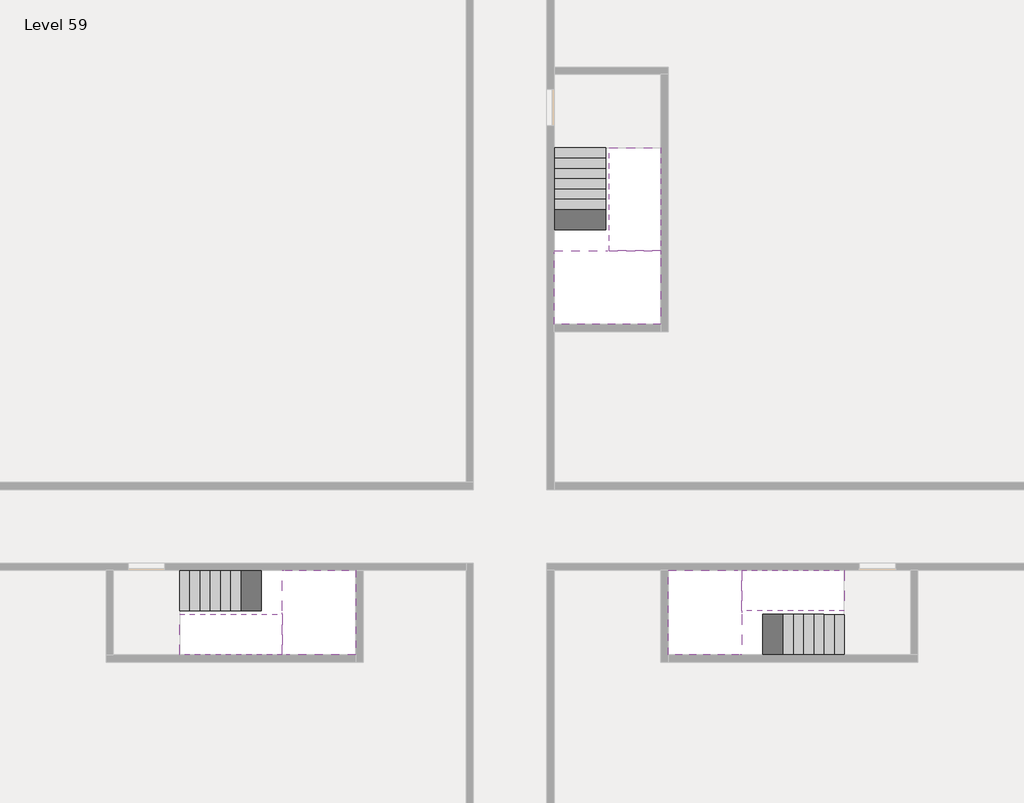
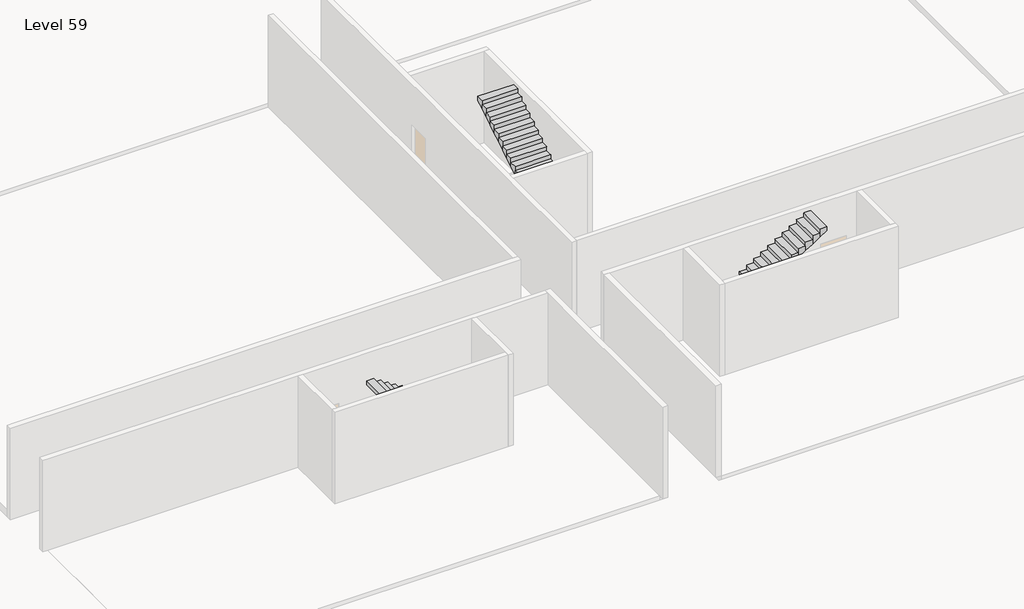
# One storey, part 2 of 2: 6 stair flights, 3 slabs.
"""IFC4 building model written with IfcOpenShell, lengths in millimetres."""

from ifc_helpers import new_model, si_unit, origin, place, context, project, spatial, faceted_brep, element, save

model = new_model("IFC4")

# Units and contexts
model_context = context("Model", 3, world=origin())
ifc_project = project(units=[si_unit("LENGTHUNIT", "METRE", prefix="MILLI")], contexts=[model_context])

# Site, building, storey
site = spatial("IfcSite", under=ifc_project)
building = spatial("IfcBuilding", under=site)
storey = spatial("IfcBuildingStorey", under=building, Name="Level 59", Elevation=220400.0)

# Slabs
placement = place(None, origin())
element("IfcSlab", 1, at=placement, inside=storey, context=model_context, shape_type="Brep", body=[
    faceted_brep([(26790.1058784, -34218.09644, 222300.0), (25390.1058784, -34218.09644, 222300.0), (25390.1058784, -34297.4828763, 222300.0), (25390.1058784, -36218.09644, 222300.0), (28290.1058784, -36218.09644, 222300.0), (28290.1058784, -34418.7100038, 222300.0), (28290.1058784, -34218.09644, 222300.0), (26890.1058784, -34218.09644, 222300.0), (26790.1058784, -34218.09644, 222000.0), (26790.1058784, -34218.09644, 221951.0278478), (25390.1058784, -34218.09644, 221951.0278478), (25390.1058784, -34218.09644, 222127.2727273), (25390.1058784, -34297.4828763, 222000.0), (25390.1058784, -36218.09644, 222000.0), (28290.1058784, -36218.09644, 222000.0), (28290.1058784, -34418.7100038, 222000.0), (28290.1058784, -34218.09644, 222123.7551205), (26890.1058784, -34218.09644, 222123.7551205), (26890.1058784, -34218.09644, 222000.0), (26890.1058784, -34418.7100038, 222000.0), (26790.1058784, -34297.4828763, 222000.0)], [[[0, 1, 2, 3, 4, 5, 6, 7]], [[1, 0, 8, 9, 10, 11]], [[1, 11, 10, 12, 13, 3, 2]], [[4, 3, 13, 14]], [[4, 14, 15, 16, 6, 5]], [[7, 6, 16, 17]], [[0, 7, 17, 18, 8]], [[18, 19, 15, 14, 13, 12, 20, 8]], [[19, 18, 17]], [[20, 12, 10, 9]], [[8, 20, 9]], [[15, 19, 17, 16]]]),
])
element("IfcSlab", 2, at=placement, inside=storey, context=model_context, shape_type="Brep", body=[
    faceted_brep([(30490.1058784, -45218.09644, 222300.0), (30490.1058784, -44118.09644, 222300.0), (30490.1058784, -44018.09644, 222300.0), (30490.1058784, -42918.09644, 222300.0), (30289.4923146, -42918.09644, 222300.0), (28490.1058784, -42918.09644, 222300.0), (28490.1058784, -45218.09644, 222300.0), (30410.7194421, -45218.09644, 222300.0), (30490.1058784, -45218.09644, 222127.2727273), (30490.1058784, -45218.09644, 221951.0278478), (30490.1058784, -44118.09644, 221951.0278478), (30490.1058784, -44118.09644, 222000.0), (30490.1058784, -44018.09644, 222000.0), (30490.1058784, -44018.09644, 222123.7551205), (30490.1058784, -42918.09644, 222123.7551205), (30289.4923146, -42918.09644, 222000.0), (28490.1058784, -42918.09644, 222000.0), (28490.1058784, -45218.09644, 222000.0), (30410.7194421, -45218.09644, 222000.0), (30289.4923146, -44018.09644, 222000.0), (30410.7194421, -44118.09644, 222000.0)], [[[0, 1, 2, 3, 4, 5, 6, 7]], [[1, 0, 8, 9, 10, 11]], [[2, 1, 11, 12, 13]], [[3, 2, 13, 14]], [[3, 14, 15, 16, 5, 4]], [[6, 5, 16, 17]], [[9, 8, 0, 7, 6, 17, 18]], [[19, 12, 11, 20, 18, 17, 16, 15]], [[12, 19, 13]], [[18, 20, 10, 9]], [[20, 11, 10]], [[19, 15, 14, 13]]]),
])
element("IfcSlab", 3, at=placement, inside=storey, context=model_context, shape_type="Brep", body=[
    faceted_brep([(17990.1058784, -42918.09644, 222300.0), (17990.1058784, -44018.09644, 222300.0), (17990.1058784, -44118.09644, 222300.0), (17990.1058784, -45218.09644, 222300.0), (18190.7194421, -45218.09644, 222300.0), (19990.1058784, -45218.09644, 222300.0), (19990.1058784, -42918.09644, 222300.0), (18069.4923146, -42918.09644, 222300.0), (17990.1058784, -42918.09644, 222127.2727273), (17990.1058784, -42918.09644, 221951.0278478), (17990.1058784, -44018.09644, 221951.0278478), (17990.1058784, -44018.09644, 222000.0), (17990.1058784, -44118.09644, 222000.0), (17990.1058784, -44118.09644, 222123.7551205), (17990.1058784, -45218.09644, 222123.7551205), (18190.7194421, -45218.09644, 222000.0), (19990.1058784, -45218.09644, 222000.0), (19990.1058784, -42918.09644, 222000.0), (18069.4923146, -42918.09644, 222000.0), (18190.7194421, -44118.09644, 222000.0), (18069.4923146, -44018.09644, 222000.0)], [[[0, 1, 2, 3, 4, 5, 6, 7]], [[1, 0, 8, 9, 10, 11]], [[2, 1, 11, 12, 13]], [[3, 2, 13, 14]], [[3, 14, 15, 16, 5, 4]], [[6, 5, 16, 17]], [[9, 8, 0, 7, 6, 17, 18]], [[19, 12, 11, 20, 18, 17, 16, 15]], [[12, 19, 13]], [[18, 20, 10, 9]], [[20, 11, 10]], [[19, 15, 14, 13]]]),
])

# Stair flights
element("IfcStairFlight", 4, at=placement, inside=storey, context=model_context, shape_type="Brep", body=[
    faceted_brep([(26790.1058784, -31698.09644, 220572.7272727), (26790.1058784, -31418.09644, 220572.7272727), (25390.1058784, -31418.09644, 220572.7272727), (25390.1058784, -31698.09644, 220572.7272727), (26790.1058784, -31698.09644, 220400.0), (26790.1058784, -31418.09644, 220400.0), (25390.1058784, -31418.09644, 220400.0), (25390.1058784, -31698.09644, 220400.0), (26790.1058784, -31978.09644, 220745.4545455), (26790.1058784, -31698.09644, 220745.4545455), (25390.1058784, -31698.09644, 220745.4545455), (25390.1058784, -31978.09644, 220745.4545455), (26790.1058784, -31978.09644, 220569.209666), (26790.1058784, -31703.7986657, 220400.0), (25390.1058784, -31703.7986657, 220400.0), (25390.1058784, -31978.09644, 220569.209666), (26790.1058784, -32258.09644, 220918.1818182), (26790.1058784, -31978.09644, 220918.1818182), (25390.1058784, -31978.09644, 220918.1818182), (25390.1058784, -32258.09644, 220918.1818182), (26790.1058784, -32258.09644, 220741.9369387), (25390.1058784, -32258.09644, 220741.9369387), (26790.1058784, -32538.09644, 221090.9090909), (26790.1058784, -32258.09644, 221090.9090909), (25390.1058784, -32258.09644, 221090.9090909), (25390.1058784, -32538.09644, 221090.9090909), (26790.1058784, -32538.09644, 220914.6642114), (25390.1058784, -32538.09644, 220914.6642114), (26790.1058784, -32818.09644, 221263.6363636), (26790.1058784, -32538.09644, 221263.6363636), (25390.1058784, -32538.09644, 221263.6363636), (25390.1058784, -32818.09644, 221263.6363636), (26790.1058784, -32818.09644, 221087.3914841), (25390.1058784, -32818.09644, 221087.3914841), (26790.1058784, -33098.09644, 221436.3636364), (26790.1058784, -32818.09644, 221436.3636364), (25390.1058784, -32818.09644, 221436.3636364), (25390.1058784, -33098.09644, 221436.3636364), (26790.1058784, -33098.09644, 221260.1187569), (25390.1058784, -33098.09644, 221260.1187569), (26790.1058784, -33378.09644, 221609.0909091), (26790.1058784, -33098.09644, 221609.0909091), (25390.1058784, -33098.09644, 221609.0909091), (25390.1058784, -33378.09644, 221609.0909091), (26790.1058784, -33378.09644, 221432.8460296), (25390.1058784, -33378.09644, 221432.8460296), (26790.1058784, -33658.09644, 221781.8181818), (26790.1058784, -33378.09644, 221781.8181818), (25390.1058784, -33378.09644, 221781.8181818), (25390.1058784, -33658.09644, 221781.8181818), (26790.1058784, -33658.09644, 221605.5733023), (25390.1058784, -33658.09644, 221605.5733023), (26790.1058784, -33938.09644, 221954.5454545), (26790.1058784, -33658.09644, 221954.5454545), (25390.1058784, -33658.09644, 221954.5454545), (25390.1058784, -33938.09644, 221954.5454545), (26790.1058784, -33938.09644, 221778.3005751), (25390.1058784, -33938.09644, 221778.3005751), (26790.1058784, -34218.09644, 222127.2727273), (26790.1058784, -33938.09644, 222127.2727273), (25390.1058784, -33938.09644, 222127.2727273), (25390.1058784, -34218.09644, 222127.2727273), (26790.1058784, -34218.09644, 222000.0), (26790.1058784, -34218.09644, 221951.0278478), (25390.1058784, -34218.09644, 221951.0278478)], [[[0, 1, 2, 3]], [[1, 0, 4, 5]], [[2, 1, 5, 6]], [[3, 2, 6, 7]], [[8, 9, 10, 11]], [[4, 0, 9, 8, 12, 13]], [[0, 3, 10, 9]], [[3, 7, 14, 15, 11, 10]], [[16, 17, 18, 19]], [[17, 16, 20, 12, 8]], [[8, 11, 18, 17]], [[19, 18, 11, 15, 21]], [[22, 23, 24, 25]], [[23, 22, 26, 20, 16]], [[16, 19, 24, 23]], [[25, 24, 19, 21, 27]], [[28, 29, 30, 31]], [[29, 28, 32, 26, 22]], [[22, 25, 30, 29]], [[31, 30, 25, 27, 33]], [[34, 35, 36, 37]], [[35, 34, 38, 32, 28]], [[28, 31, 36, 35]], [[37, 36, 31, 33, 39]], [[40, 41, 42, 43]], [[41, 40, 44, 38, 34]], [[34, 37, 42, 41]], [[43, 42, 37, 39, 45]], [[46, 47, 48, 49]], [[47, 46, 50, 44, 40]], [[40, 43, 48, 47]], [[49, 48, 43, 45, 51]], [[52, 53, 54, 55]], [[53, 52, 56, 50, 46]], [[46, 49, 54, 53]], [[55, 54, 49, 51, 57]], [[58, 59, 60, 61]], [[59, 58, 62, 63, 56, 52]], [[52, 55, 60, 59]], [[61, 60, 55, 57, 64]], [[58, 61, 64, 63, 62]], [[5, 4, 13, 14, 7, 6]], [[14, 13, 12, 20, 26, 32, 38, 44, 50, 56, 63, 64, 57, 51, 45, 39, 33, 27, 21, 15]]]),
])
element("IfcStairFlight", 5, at=placement, inside=storey, context=model_context, shape_type="Brep", body=[
    faceted_brep([(26890.1058784, -33938.09644, 222472.7272727), (26890.1058784, -34218.09644, 222472.7272727), (28290.1058784, -34218.09644, 222472.7272727), (28290.1058784, -33938.09644, 222472.7272727), (26890.1058784, -33938.09644, 222296.4823932), (26890.1058784, -34218.09644, 222123.7551205), (28290.1058784, -34218.09644, 222123.7551205), (28290.1058784, -34218.09644, 222300.0), (28290.1058784, -33938.09644, 222296.4823932), (26890.1058784, -33658.09644, 222645.4545455), (26890.1058784, -33938.09644, 222645.4545455), (28290.1058784, -33938.09644, 222645.4545455), (28290.1058784, -33658.09644, 222645.4545455), (26890.1058784, -33658.09644, 222469.209666), (28290.1058784, -33658.09644, 222469.209666), (26890.1058784, -33378.09644, 222818.1818182), (26890.1058784, -33658.09644, 222818.1818182), (28290.1058784, -33658.09644, 222818.1818182), (28290.1058784, -33378.09644, 222818.1818182), (26890.1058784, -33378.09644, 222641.9369387), (28290.1058784, -33378.09644, 222641.9369387), (26890.1058784, -33098.09644, 222990.9090909), (26890.1058784, -33378.09644, 222990.9090909), (28290.1058784, -33378.09644, 222990.9090909), (28290.1058784, -33098.09644, 222990.9090909), (26890.1058784, -33098.09644, 222814.6642114), (28290.1058784, -33098.09644, 222814.6642114), (26890.1058784, -32818.09644, 223163.6363636), (26890.1058784, -33098.09644, 223163.6363636), (28290.1058784, -33098.09644, 223163.6363636), (28290.1058784, -32818.09644, 223163.6363636), (26890.1058784, -32818.09644, 222987.3914841), (28290.1058784, -32818.09644, 222987.3914841), (26890.1058784, -32538.09644, 223336.3636364), (26890.1058784, -32818.09644, 223336.3636364), (28290.1058784, -32818.09644, 223336.3636364), (28290.1058784, -32538.09644, 223336.3636364), (26890.1058784, -32538.09644, 223160.1187569), (28290.1058784, -32538.09644, 223160.1187569), (26890.1058784, -32258.09644, 223509.0909091), (26890.1058784, -32538.09644, 223509.0909091), (28290.1058784, -32538.09644, 223509.0909091), (28290.1058784, -32258.09644, 223509.0909091), (26890.1058784, -32258.09644, 223332.8460296), (28290.1058784, -32258.09644, 223332.8460296), (26890.1058784, -31978.09644, 223681.8181818), (26890.1058784, -32258.09644, 223681.8181818), (28290.1058784, -32258.09644, 223681.8181818), (28290.1058784, -31978.09644, 223681.8181818), (26890.1058784, -31978.09644, 223505.5733023), (28290.1058784, -31978.09644, 223505.5733023), (26890.1058784, -31698.09644, 223854.5454545), (26890.1058784, -31978.09644, 223854.5454545), (28290.1058784, -31978.09644, 223854.5454545), (28290.1058784, -31698.09644, 223854.5454545), (26890.1058784, -31698.09644, 223678.3005751), (28290.1058784, -31698.09644, 223678.3005751), (26890.1058784, -31418.09644, 224027.2727273), (26890.1058784, -31698.09644, 224027.2727273), (28290.1058784, -31698.09644, 224027.2727273), (28290.1058784, -31418.09644, 224027.2727273), (26890.1058784, -31418.09644, 223851.0278478), (28290.1058784, -31418.09644, 223851.0278478)], [[[0, 1, 2, 3]], [[1, 0, 4, 5]], [[2, 1, 5, 6, 7]], [[3, 2, 7, 6, 8]], [[9, 10, 11, 12]], [[10, 9, 13, 4, 0]], [[11, 10, 0, 3]], [[12, 11, 3, 8, 14]], [[15, 16, 17, 18]], [[16, 15, 19, 13, 9]], [[17, 16, 9, 12]], [[18, 17, 12, 14, 20]], [[21, 22, 23, 24]], [[22, 21, 25, 19, 15]], [[23, 22, 15, 18]], [[24, 23, 18, 20, 26]], [[27, 28, 29, 30]], [[28, 27, 31, 25, 21]], [[29, 28, 21, 24]], [[30, 29, 24, 26, 32]], [[33, 34, 35, 36]], [[34, 33, 37, 31, 27]], [[35, 34, 27, 30]], [[36, 35, 30, 32, 38]], [[39, 40, 41, 42]], [[40, 39, 43, 37, 33]], [[41, 40, 33, 36]], [[42, 41, 36, 38, 44]], [[45, 46, 47, 48]], [[46, 45, 49, 43, 39]], [[47, 46, 39, 42]], [[48, 47, 42, 44, 50]], [[51, 52, 53, 54]], [[52, 51, 55, 49, 45]], [[53, 52, 45, 48]], [[54, 53, 48, 50, 56]], [[57, 58, 59, 60]], [[58, 57, 61, 55, 51]], [[59, 58, 51, 54]], [[60, 59, 54, 56, 62]], [[57, 60, 62, 61]], [[5, 4, 13, 19, 25, 31, 37, 43, 49, 55, 61, 62, 56, 50, 44, 38, 32, 26, 20, 14, 8, 6]]]),
])
element("IfcStairFlight", 6, at=placement, inside=storey, context=model_context, shape_type="Brep", body=[
    faceted_brep([(33010.1058784, -45218.09644, 220572.7272727), (33290.1058784, -45218.09644, 220572.7272727), (33290.1058784, -44118.09644, 220572.7272727), (33010.1058784, -44118.09644, 220572.7272727), (33010.1058784, -45218.09644, 220400.0), (33290.1058784, -45218.09644, 220400.0), (33290.1058784, -44118.09644, 220400.0), (33010.1058784, -44118.09644, 220400.0), (32730.1058784, -45218.09644, 220745.4545455), (33010.1058784, -45218.09644, 220745.4545455), (33010.1058784, -44118.09644, 220745.4545455), (32730.1058784, -44118.09644, 220745.4545455), (32730.1058784, -45218.09644, 220569.209666), (33004.4036527, -45218.09644, 220400.0), (33004.4036527, -44118.09644, 220400.0), (32730.1058784, -44118.09644, 220569.209666), (32450.1058784, -45218.09644, 220918.1818182), (32730.1058784, -45218.09644, 220918.1818182), (32730.1058784, -44118.09644, 220918.1818182), (32450.1058784, -44118.09644, 220918.1818182), (32450.1058784, -45218.09644, 220741.9369387), (32450.1058784, -44118.09644, 220741.9369387), (32170.1058784, -45218.09644, 221090.9090909), (32450.1058784, -45218.09644, 221090.9090909), (32450.1058784, -44118.09644, 221090.9090909), (32170.1058784, -44118.09644, 221090.9090909), (32170.1058784, -45218.09644, 220914.6642114), (32170.1058784, -44118.09644, 220914.6642114), (31890.1058784, -45218.09644, 221263.6363636), (32170.1058784, -45218.09644, 221263.6363636), (32170.1058784, -44118.09644, 221263.6363636), (31890.1058784, -44118.09644, 221263.6363636), (31890.1058784, -45218.09644, 221087.3914841), (31890.1058784, -44118.09644, 221087.3914841), (31610.1058784, -45218.09644, 221436.3636364), (31890.1058784, -45218.09644, 221436.3636364), (31890.1058784, -44118.09644, 221436.3636364), (31610.1058784, -44118.09644, 221436.3636364), (31610.1058784, -45218.09644, 221260.1187569), (31610.1058784, -44118.09644, 221260.1187569), (31330.1058784, -45218.09644, 221609.0909091), (31610.1058784, -45218.09644, 221609.0909091), (31610.1058784, -44118.09644, 221609.0909091), (31330.1058784, -44118.09644, 221609.0909091), (31330.1058784, -45218.09644, 221432.8460296), (31330.1058784, -44118.09644, 221432.8460296), (31050.1058784, -45218.09644, 221781.8181818), (31330.1058784, -45218.09644, 221781.8181818), (31330.1058784, -44118.09644, 221781.8181818), (31050.1058784, -44118.09644, 221781.8181818), (31050.1058784, -45218.09644, 221605.5733023), (31050.1058784, -44118.09644, 221605.5733023), (30770.1058784, -45218.09644, 221954.5454545), (31050.1058784, -45218.09644, 221954.5454545), (31050.1058784, -44118.09644, 221954.5454545), (30770.1058784, -44118.09644, 221954.5454545), (30770.1058784, -45218.09644, 221778.3005751), (30770.1058784, -44118.09644, 221778.3005751), (30490.1058784, -45218.09644, 222127.2727273), (30770.1058784, -45218.09644, 222127.2727273), (30770.1058784, -44118.09644, 222127.2727273), (30490.1058784, -44118.09644, 222127.2727273), (30490.1058784, -45218.09644, 221951.0278478), (30490.1058784, -44118.09644, 221951.0278478), (30490.1058784, -44118.09644, 222000.0)], [[[0, 1, 2, 3]], [[1, 0, 4, 5]], [[2, 1, 5, 6]], [[3, 2, 6, 7]], [[8, 9, 10, 11]], [[4, 0, 9, 8, 12, 13]], [[0, 3, 10, 9]], [[3, 7, 14, 15, 11, 10]], [[16, 17, 18, 19]], [[17, 16, 20, 12, 8]], [[8, 11, 18, 17]], [[19, 18, 11, 15, 21]], [[22, 23, 24, 25]], [[23, 22, 26, 20, 16]], [[16, 19, 24, 23]], [[25, 24, 19, 21, 27]], [[28, 29, 30, 31]], [[29, 28, 32, 26, 22]], [[22, 25, 30, 29]], [[31, 30, 25, 27, 33]], [[34, 35, 36, 37]], [[35, 34, 38, 32, 28]], [[28, 31, 36, 35]], [[37, 36, 31, 33, 39]], [[40, 41, 42, 43]], [[41, 40, 44, 38, 34]], [[34, 37, 42, 41]], [[43, 42, 37, 39, 45]], [[46, 47, 48, 49]], [[47, 46, 50, 44, 40]], [[40, 43, 48, 47]], [[49, 48, 43, 45, 51]], [[52, 53, 54, 55]], [[53, 52, 56, 50, 46]], [[46, 49, 54, 53]], [[55, 54, 49, 51, 57]], [[58, 59, 60, 61]], [[59, 58, 62, 56, 52]], [[52, 55, 60, 59]], [[61, 60, 55, 57, 63, 64]], [[58, 61, 64, 63, 62]], [[5, 4, 13, 14, 7, 6]], [[14, 13, 12, 20, 26, 32, 38, 44, 50, 56, 62, 63, 57, 51, 45, 39, 33, 27, 21, 15]]]),
])
element("IfcStairFlight", 7, at=placement, inside=storey, context=model_context, shape_type="Brep", body=[
    faceted_brep([(30770.1058784, -42918.09644, 222472.7272727), (30490.1058784, -42918.09644, 222472.7272727), (30490.1058784, -44018.09644, 222472.7272727), (30770.1058784, -44018.09644, 222472.7272727), (30770.1058784, -42918.09644, 222296.4823932), (30490.1058784, -42918.09644, 222123.7551205), (30490.1058784, -42918.09644, 222300.0), (30490.1058784, -44018.09644, 222123.7551205), (30770.1058784, -44018.09644, 222296.4823932), (31050.1058784, -42918.09644, 222645.4545455), (30770.1058784, -42918.09644, 222645.4545455), (30770.1058784, -44018.09644, 222645.4545455), (31050.1058784, -44018.09644, 222645.4545455), (31050.1058784, -42918.09644, 222469.209666), (31050.1058784, -44018.09644, 222469.209666), (31330.1058784, -42918.09644, 222818.1818182), (31050.1058784, -42918.09644, 222818.1818182), (31050.1058784, -44018.09644, 222818.1818182), (31330.1058784, -44018.09644, 222818.1818182), (31330.1058784, -42918.09644, 222641.9369387), (31330.1058784, -44018.09644, 222641.9369387), (31610.1058784, -42918.09644, 222990.9090909), (31330.1058784, -42918.09644, 222990.9090909), (31330.1058784, -44018.09644, 222990.9090909), (31610.1058784, -44018.09644, 222990.9090909), (31610.1058784, -42918.09644, 222814.6642114), (31610.1058784, -44018.09644, 222814.6642114), (31890.1058784, -42918.09644, 223163.6363636), (31610.1058784, -42918.09644, 223163.6363636), (31610.1058784, -44018.09644, 223163.6363636), (31890.1058784, -44018.09644, 223163.6363636), (31890.1058784, -42918.09644, 222987.3914841), (31890.1058784, -44018.09644, 222987.3914841), (32170.1058784, -42918.09644, 223336.3636364), (31890.1058784, -42918.09644, 223336.3636364), (31890.1058784, -44018.09644, 223336.3636364), (32170.1058784, -44018.09644, 223336.3636364), (32170.1058784, -42918.09644, 223160.1187569), (32170.1058784, -44018.09644, 223160.1187569), (32450.1058784, -42918.09644, 223509.0909091), (32170.1058784, -42918.09644, 223509.0909091), (32170.1058784, -44018.09644, 223509.0909091), (32450.1058784, -44018.09644, 223509.0909091), (32450.1058784, -42918.09644, 223332.8460296), (32450.1058784, -44018.09644, 223332.8460296), (32730.1058784, -42918.09644, 223681.8181818), (32450.1058784, -42918.09644, 223681.8181818), (32450.1058784, -44018.09644, 223681.8181818), (32730.1058784, -44018.09644, 223681.8181818), (32730.1058784, -42918.09644, 223505.5733023), (32730.1058784, -44018.09644, 223505.5733023), (33010.1058784, -42918.09644, 223854.5454545), (32730.1058784, -42918.09644, 223854.5454545), (32730.1058784, -44018.09644, 223854.5454545), (33010.1058784, -44018.09644, 223854.5454545), (33010.1058784, -42918.09644, 223678.3005751), (33010.1058784, -44018.09644, 223678.3005751), (33290.1058784, -42918.09644, 224027.2727273), (33010.1058784, -42918.09644, 224027.2727273), (33010.1058784, -44018.09644, 224027.2727273), (33290.1058784, -44018.09644, 224027.2727273), (33290.1058784, -42918.09644, 223851.0278478), (33290.1058784, -44018.09644, 223851.0278478)], [[[0, 1, 2, 3]], [[1, 0, 4, 5, 6]], [[2, 1, 6, 5, 7]], [[3, 2, 7, 8]], [[9, 10, 11, 12]], [[10, 9, 13, 4, 0]], [[11, 10, 0, 3]], [[12, 11, 3, 8, 14]], [[15, 16, 17, 18]], [[16, 15, 19, 13, 9]], [[17, 16, 9, 12]], [[18, 17, 12, 14, 20]], [[21, 22, 23, 24]], [[22, 21, 25, 19, 15]], [[23, 22, 15, 18]], [[24, 23, 18, 20, 26]], [[27, 28, 29, 30]], [[28, 27, 31, 25, 21]], [[29, 28, 21, 24]], [[30, 29, 24, 26, 32]], [[33, 34, 35, 36]], [[34, 33, 37, 31, 27]], [[35, 34, 27, 30]], [[36, 35, 30, 32, 38]], [[39, 40, 41, 42]], [[40, 39, 43, 37, 33]], [[41, 40, 33, 36]], [[42, 41, 36, 38, 44]], [[45, 46, 47, 48]], [[46, 45, 49, 43, 39]], [[47, 46, 39, 42]], [[48, 47, 42, 44, 50]], [[51, 52, 53, 54]], [[52, 51, 55, 49, 45]], [[53, 52, 45, 48]], [[54, 53, 48, 50, 56]], [[57, 58, 59, 60]], [[58, 57, 61, 55, 51]], [[59, 58, 51, 54]], [[60, 59, 54, 56, 62]], [[57, 60, 62, 61]], [[5, 4, 13, 19, 25, 31, 37, 43, 49, 55, 61, 62, 56, 50, 44, 38, 32, 26, 20, 14, 8, 7]]]),
])
element("IfcStairFlight", 8, at=placement, inside=storey, context=model_context, shape_type="Brep", body=[
    faceted_brep([(15470.1058784, -42918.09644, 220572.7272727), (15190.1058784, -42918.09644, 220572.7272727), (15190.1058784, -44018.09644, 220572.7272727), (15470.1058784, -44018.09644, 220572.7272727), (15470.1058784, -42918.09644, 220400.0), (15190.1058784, -42918.09644, 220400.0), (15190.1058784, -44018.09644, 220400.0), (15470.1058784, -44018.09644, 220400.0), (15750.1058784, -42918.09644, 220745.4545455), (15470.1058784, -42918.09644, 220745.4545455), (15470.1058784, -44018.09644, 220745.4545455), (15750.1058784, -44018.09644, 220745.4545455), (15750.1058784, -42918.09644, 220569.209666), (15475.8081041, -42918.09644, 220400.0), (15475.8081041, -44018.09644, 220400.0), (15750.1058784, -44018.09644, 220569.209666), (16030.1058784, -42918.09644, 220918.1818182), (15750.1058784, -42918.09644, 220918.1818182), (15750.1058784, -44018.09644, 220918.1818182), (16030.1058784, -44018.09644, 220918.1818182), (16030.1058784, -42918.09644, 220741.9369387), (16030.1058784, -44018.09644, 220741.9369387), (16310.1058784, -42918.09644, 221090.9090909), (16030.1058784, -42918.09644, 221090.9090909), (16030.1058784, -44018.09644, 221090.9090909), (16310.1058784, -44018.09644, 221090.9090909), (16310.1058784, -42918.09644, 220914.6642114), (16310.1058784, -44018.09644, 220914.6642114), (16590.1058784, -42918.09644, 221263.6363636), (16310.1058784, -42918.09644, 221263.6363636), (16310.1058784, -44018.09644, 221263.6363636), (16590.1058784, -44018.09644, 221263.6363636), (16590.1058784, -42918.09644, 221087.3914841), (16590.1058784, -44018.09644, 221087.3914841), (16870.1058784, -42918.09644, 221436.3636364), (16590.1058784, -42918.09644, 221436.3636364), (16590.1058784, -44018.09644, 221436.3636364), (16870.1058784, -44018.09644, 221436.3636364), (16870.1058784, -42918.09644, 221260.1187569), (16870.1058784, -44018.09644, 221260.1187569), (17150.1058784, -42918.09644, 221609.0909091), (16870.1058784, -42918.09644, 221609.0909091), (16870.1058784, -44018.09644, 221609.0909091), (17150.1058784, -44018.09644, 221609.0909091), (17150.1058784, -42918.09644, 221432.8460296), (17150.1058784, -44018.09644, 221432.8460296), (17430.1058784, -42918.09644, 221781.8181818), (17150.1058784, -42918.09644, 221781.8181818), (17150.1058784, -44018.09644, 221781.8181818), (17430.1058784, -44018.09644, 221781.8181818), (17430.1058784, -42918.09644, 221605.5733023), (17430.1058784, -44018.09644, 221605.5733023), (17710.1058784, -42918.09644, 221954.5454545), (17430.1058784, -42918.09644, 221954.5454545), (17430.1058784, -44018.09644, 221954.5454545), (17710.1058784, -44018.09644, 221954.5454545), (17710.1058784, -42918.09644, 221778.3005751), (17710.1058784, -44018.09644, 221778.3005751), (17990.1058784, -42918.09644, 222127.2727273), (17710.1058784, -42918.09644, 222127.2727273), (17710.1058784, -44018.09644, 222127.2727273), (17990.1058784, -44018.09644, 222127.2727273), (17990.1058784, -42918.09644, 221951.0278478), (17990.1058784, -44018.09644, 221951.0278478), (17990.1058784, -44018.09644, 222000.0)], [[[0, 1, 2, 3]], [[1, 0, 4, 5]], [[2, 1, 5, 6]], [[3, 2, 6, 7]], [[8, 9, 10, 11]], [[4, 0, 9, 8, 12, 13]], [[0, 3, 10, 9]], [[3, 7, 14, 15, 11, 10]], [[16, 17, 18, 19]], [[17, 16, 20, 12, 8]], [[8, 11, 18, 17]], [[19, 18, 11, 15, 21]], [[22, 23, 24, 25]], [[23, 22, 26, 20, 16]], [[16, 19, 24, 23]], [[25, 24, 19, 21, 27]], [[28, 29, 30, 31]], [[29, 28, 32, 26, 22]], [[22, 25, 30, 29]], [[31, 30, 25, 27, 33]], [[34, 35, 36, 37]], [[35, 34, 38, 32, 28]], [[28, 31, 36, 35]], [[37, 36, 31, 33, 39]], [[40, 41, 42, 43]], [[41, 40, 44, 38, 34]], [[34, 37, 42, 41]], [[43, 42, 37, 39, 45]], [[46, 47, 48, 49]], [[47, 46, 50, 44, 40]], [[40, 43, 48, 47]], [[49, 48, 43, 45, 51]], [[52, 53, 54, 55]], [[53, 52, 56, 50, 46]], [[46, 49, 54, 53]], [[55, 54, 49, 51, 57]], [[58, 59, 60, 61]], [[59, 58, 62, 56, 52]], [[52, 55, 60, 59]], [[61, 60, 55, 57, 63, 64]], [[58, 61, 64, 63, 62]], [[5, 4, 13, 14, 7, 6]], [[14, 13, 12, 20, 26, 32, 38, 44, 50, 56, 62, 63, 57, 51, 45, 39, 33, 27, 21, 15]]]),
])
element("IfcStairFlight", 9, at=placement, inside=storey, context=model_context, shape_type="Brep", body=[
    faceted_brep([(17710.1058784, -45218.09644, 222472.7272727), (17990.1058784, -45218.09644, 222472.7272727), (17990.1058784, -44118.09644, 222472.7272727), (17710.1058784, -44118.09644, 222472.7272727), (17710.1058784, -45218.09644, 222296.4823932), (17990.1058784, -45218.09644, 222123.7551205), (17990.1058784, -45218.09644, 222300.0), (17990.1058784, -44118.09644, 222123.7551205), (17710.1058784, -44118.09644, 222296.4823932), (17430.1058784, -45218.09644, 222645.4545455), (17710.1058784, -45218.09644, 222645.4545455), (17710.1058784, -44118.09644, 222645.4545455), (17430.1058784, -44118.09644, 222645.4545455), (17430.1058784, -45218.09644, 222469.209666), (17430.1058784, -44118.09644, 222469.209666), (17150.1058784, -45218.09644, 222818.1818182), (17430.1058784, -45218.09644, 222818.1818182), (17430.1058784, -44118.09644, 222818.1818182), (17150.1058784, -44118.09644, 222818.1818182), (17150.1058784, -45218.09644, 222641.9369387), (17150.1058784, -44118.09644, 222641.9369387), (16870.1058784, -45218.09644, 222990.9090909), (17150.1058784, -45218.09644, 222990.9090909), (17150.1058784, -44118.09644, 222990.9090909), (16870.1058784, -44118.09644, 222990.9090909), (16870.1058784, -45218.09644, 222814.6642114), (16870.1058784, -44118.09644, 222814.6642114), (16590.1058784, -45218.09644, 223163.6363636), (16870.1058784, -45218.09644, 223163.6363636), (16870.1058784, -44118.09644, 223163.6363636), (16590.1058784, -44118.09644, 223163.6363636), (16590.1058784, -45218.09644, 222987.3914841), (16590.1058784, -44118.09644, 222987.3914841), (16310.1058784, -45218.09644, 223336.3636364), (16590.1058784, -45218.09644, 223336.3636364), (16590.1058784, -44118.09644, 223336.3636364), (16310.1058784, -44118.09644, 223336.3636364), (16310.1058784, -45218.09644, 223160.1187569), (16310.1058784, -44118.09644, 223160.1187569), (16030.1058784, -45218.09644, 223509.0909091), (16310.1058784, -45218.09644, 223509.0909091), (16310.1058784, -44118.09644, 223509.0909091), (16030.1058784, -44118.09644, 223509.0909091), (16030.1058784, -45218.09644, 223332.8460296), (16030.1058784, -44118.09644, 223332.8460296), (15750.1058784, -45218.09644, 223681.8181818), (16030.1058784, -45218.09644, 223681.8181818), (16030.1058784, -44118.09644, 223681.8181818), (15750.1058784, -44118.09644, 223681.8181818), (15750.1058784, -45218.09644, 223505.5733023), (15750.1058784, -44118.09644, 223505.5733023), (15470.1058784, -45218.09644, 223854.5454545), (15750.1058784, -45218.09644, 223854.5454545), (15750.1058784, -44118.09644, 223854.5454545), (15470.1058784, -44118.09644, 223854.5454545), (15470.1058784, -45218.09644, 223678.3005751), (15470.1058784, -44118.09644, 223678.3005751), (15190.1058784, -45218.09644, 224027.2727273), (15470.1058784, -45218.09644, 224027.2727273), (15470.1058784, -44118.09644, 224027.2727273), (15190.1058784, -44118.09644, 224027.2727273), (15190.1058784, -45218.09644, 223851.0278478), (15190.1058784, -44118.09644, 223851.0278478)], [[[0, 1, 2, 3]], [[1, 0, 4, 5, 6]], [[2, 1, 6, 5, 7]], [[3, 2, 7, 8]], [[9, 10, 11, 12]], [[10, 9, 13, 4, 0]], [[11, 10, 0, 3]], [[12, 11, 3, 8, 14]], [[15, 16, 17, 18]], [[16, 15, 19, 13, 9]], [[17, 16, 9, 12]], [[18, 17, 12, 14, 20]], [[21, 22, 23, 24]], [[22, 21, 25, 19, 15]], [[23, 22, 15, 18]], [[24, 23, 18, 20, 26]], [[27, 28, 29, 30]], [[28, 27, 31, 25, 21]], [[29, 28, 21, 24]], [[30, 29, 24, 26, 32]], [[33, 34, 35, 36]], [[34, 33, 37, 31, 27]], [[35, 34, 27, 30]], [[36, 35, 30, 32, 38]], [[39, 40, 41, 42]], [[40, 39, 43, 37, 33]], [[41, 40, 33, 36]], [[42, 41, 36, 38, 44]], [[45, 46, 47, 48]], [[46, 45, 49, 43, 39]], [[47, 46, 39, 42]], [[48, 47, 42, 44, 50]], [[51, 52, 53, 54]], [[52, 51, 55, 49, 45]], [[53, 52, 45, 48]], [[54, 53, 48, 50, 56]], [[57, 58, 59, 60]], [[58, 57, 61, 55, 51]], [[59, 58, 51, 54]], [[60, 59, 54, 56, 62]], [[57, 60, 62, 61]], [[5, 4, 13, 19, 25, 31, 37, 43, 49, 55, 61, 62, 56, 50, 44, 38, 32, 26, 20, 14, 8, 7]]]),
])

save(model, "model.ifc")
